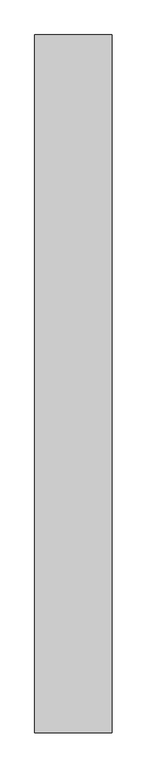
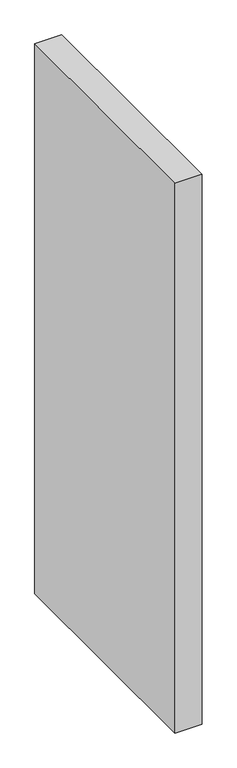
"""IFC4 building model written with IfcOpenShell, lengths in millimetres: proxy geometry."""

from ifc_helpers import new_model, si_unit, origin, origin_with_axes, place, context, project, spatial, polyline, outline, extrude, source, transform, mapped, element, save


def generic_models_80b54444(model_context):
    return source(origin(), model_context, "Body", "SweptSolid", [
        extrude(outline(polyline([(200.0, 1800.0), (200.0, 0.0), (0.0, 0.0), (0.0, 1800.0), (200.0, 1800.0)])), origin_with_axes(), (0.0, 0.0, 1.0), 4300.0),
    ])


if __name__ == "__main__":
    model = new_model("IFC4")
    model_context = context("Model", 3, world=origin())
    ifc_project = project(units=[si_unit("LENGTHUNIT", "METRE", prefix="MILLI")], contexts=[model_context])
    site = spatial("IfcSite", under=ifc_project)
    building = spatial("IfcBuilding", under=site)
    placement = place(None, origin())
    generic_models_shape = generic_models_80b54444(model_context)
    element("IfcBuildingElementProxy", 1, Name="Generic Models", at=placement, inside=building, context=model_context, shape_type="MappedRepresentation", body=[
        mapped(generic_models_shape, transform((0.0, 0.0, 0.0), x_axis=(1.0, 0.0, 0.0), y_axis=(0.0, 1.0, 0.0), z_axis=(0.0, 0.0, 1.0))),
    ])
    save(model, "model.ifc")
